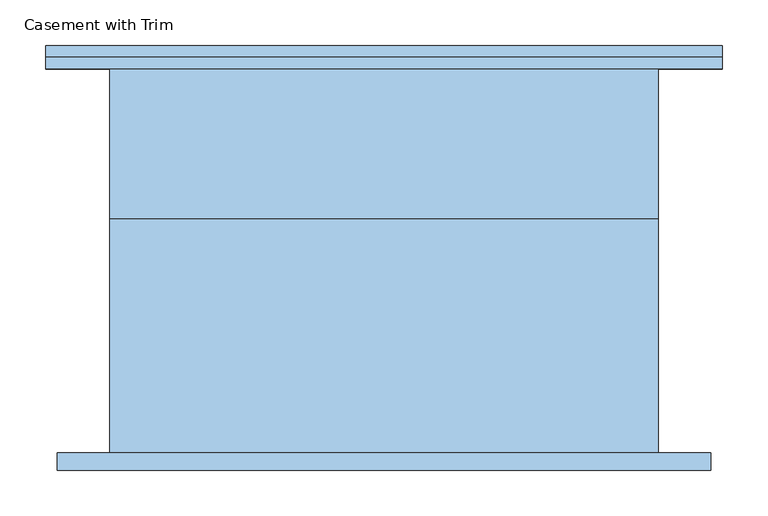
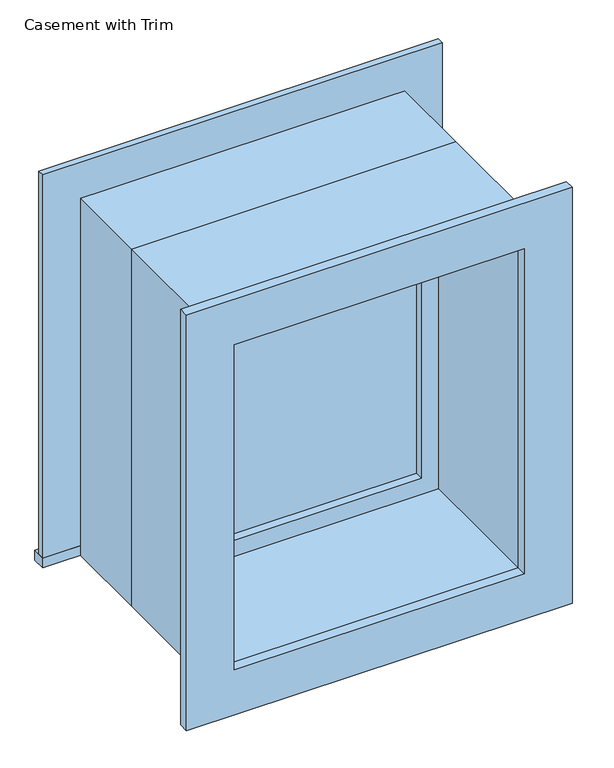
"""IFC4 building model written with IfcOpenShell, lengths in millimetres: window geometry, Casement with Trim."""

from ifc_helpers import new_model, si_unit, frame, origin, place, context, project, spatial, polyline, outline, extrude, source, transform, mapped, element, save


def casement_with_trim_70592014(model_context):
    return source(origin(), model_context, "Body", "SweptSolid", [
        extrude(outline(polyline([(-369.85, 235.4), (369.85, 235.4), (369.85, 210.0), (-369.85, 210.0), (-369.85, 235.4)])), frame((0.0, 0.0, 914.4), z_axis=(0.0, 0.0, 1.0), x_axis=(1.0, 0.0, 0.0)), (0.0, 0.0, 1.0), 19.05),
        extrude(outline(polyline([(1595.35, -280.95), (1595.35, 280.95), (933.45, 280.95), (933.45, 369.85), (1684.25, 369.85), (1684.25, -369.85), (933.45, -369.85), (933.45, -280.95), (1595.35, -280.95)])), frame((0.0, 210.0, 0.0), z_axis=(0.0, 1.0, 0.0), x_axis=(0.0, 0.0, 1.0)), (0.0, 0.0, 1.0), 12.7),
        extrude(outline(polyline([(1671.55, 357.15), (1671.55, -357.15), (857.25, -357.15), (857.25, 357.15), (1671.55, 357.15)]), holes=[polyline([(1582.65, 268.25), (946.15, 268.25), (946.15, -268.25), (1582.65, -268.25), (1582.65, 268.25)])]), frame((0.0, -229.05, 0.0), z_axis=(0.0, 1.0, 0.0), x_axis=(0.0, 0.0, 1.0)), (0.0, 0.0, 1.0), 19.05),
        extrude(outline(polyline([(236.5, 61.425), (-236.5, 61.425), (-236.5, 74.125), (236.5, 74.125), (236.5, 61.425)])), frame((0.0, 0.0, 977.9), z_axis=(0.0, 0.0, 1.0), x_axis=(1.0, 0.0, 0.0)), (0.0, 0.0, 1.0), 573.0),
        extrude(outline(polyline([(1595.35, -280.95), (933.45, -280.95), (933.45, 280.95), (1595.35, 280.95), (1595.35, -280.95)]), holes=[polyline([(1550.9, -236.5), (1550.9, 236.5), (977.9, 236.5), (977.9, -236.5), (1550.9, -236.5)])]), frame((0.0, 45.55, 0.0), z_axis=(0.0, 1.0, 0.0), x_axis=(0.0, 0.0, 1.0)), (0.0, 0.0, 1.0), 44.45),
        extrude(outline(polyline([(1614.4, -300.0), (914.4, -300.0), (914.4, 300.0), (1614.4, 300.0), (1614.4, -300.0)]), holes=[polyline([(1582.65, -268.25), (1582.65, 268.25), (946.15, 268.25), (946.15, -268.25), (1582.65, -268.25)])]), frame((0.0, -210.0, 0.0), z_axis=(0.0, 1.0, 0.0), x_axis=(0.0, 0.0, 1.0)), (0.0, 0.0, 1.0), 255.55),
        extrude(outline(polyline([(1614.4, 300.0), (1614.4, -300.0), (914.4, -300.0), (914.4, 300.0), (1614.4, 300.0)]), holes=[polyline([(1595.35, 280.95), (933.45, 280.95), (933.45, -280.95), (1595.35, -280.95), (1595.35, 280.95)])]), frame((0.0, 45.55, 0.0), z_axis=(0.0, 1.0, 0.0), x_axis=(0.0, 0.0, 1.0)), (0.0, 0.0, 1.0), 164.45),
    ])


if __name__ == "__main__":
    model = new_model("IFC4")
    model_context = context("Model", 3, world=origin())
    ifc_project = project(units=[si_unit("LENGTHUNIT", "METRE", prefix="MILLI")], contexts=[model_context])
    site = spatial("IfcSite", under=ifc_project)
    building = spatial("IfcBuilding", under=site)
    placement = place(None, origin())
    casement_with_trim_shape = casement_with_trim_70592014(model_context)
    element("IfcWindow", 1, ObjectType="Casement with Trim", at=placement, inside=building, context=model_context, shape_type="MappedRepresentation", body=[
        mapped(casement_with_trim_shape, transform((0.0, 0.0, 0.0), x_axis=(1.0, 0.0, 0.0), y_axis=(0.0, 1.0, 0.0), z_axis=(0.0, 0.0, 1.0))),
    ])
    save(model, "model.ifc")
